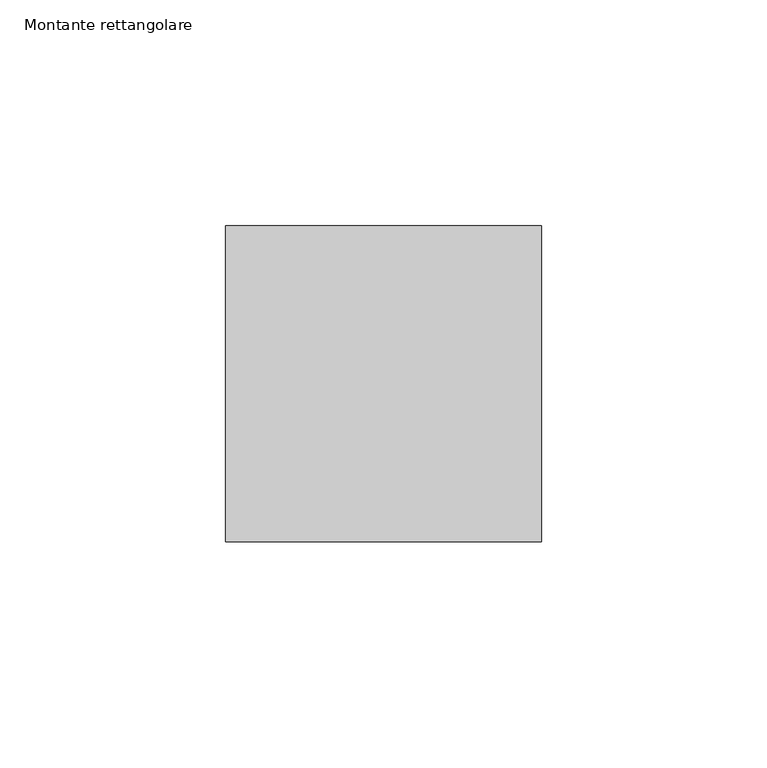
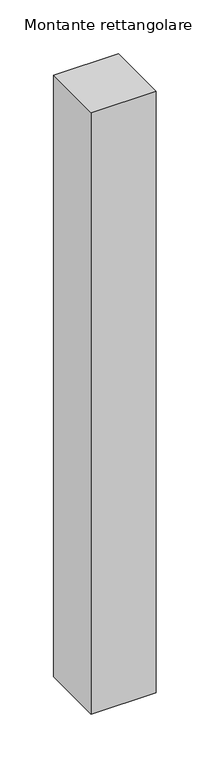
"""IFC4 building model written with IfcOpenShell, lengths in millimetres: member geometry, Montante rettangolare."""

from ifc_helpers import new_model, si_unit, frame, origin, place, context, project, spatial, polyline, outline, extrude, source, transform, mapped, element, save


def montante_rettangolare_40ea6923(model_context):
    return source(origin(), model_context, "Body", "SweptSolid", [
        extrude(outline(polyline([(0.0, 35.0), (0.0, -35.0), (-70.0, -35.0), (-70.0, 35.0), (0.0, 35.0)])), frame((0.0, 0.0, -684.1739392), z_axis=(0.0, 0.0, 1.0), x_axis=(1.0, 0.0, 0.0)), (0.0, 0.0, 1.0), 684.1739392),
    ])


if __name__ == "__main__":
    model = new_model("IFC4")
    model_context = context("Model", 3, world=origin())
    ifc_project = project(units=[si_unit("LENGTHUNIT", "METRE", prefix="MILLI")], contexts=[model_context])
    site = spatial("IfcSite", under=ifc_project)
    building = spatial("IfcBuilding", under=site)
    placement = place(None, origin())
    montante_rettangolare_shape = montante_rettangolare_40ea6923(model_context)
    element("IfcMember", 1, ObjectType="Montante rettangolare", at=placement, inside=building, context=model_context, shape_type="MappedRepresentation", body=[
        mapped(montante_rettangolare_shape, transform((0.0, 0.0, 0.0), x_axis=(1.0, 0.0, 0.0), y_axis=(0.0, 1.0, 0.0), z_axis=(0.0, 0.0, 1.0))),
    ])
    save(model, "model.ifc")
